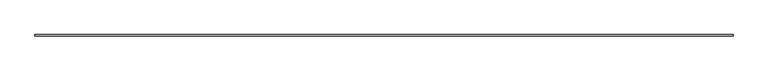
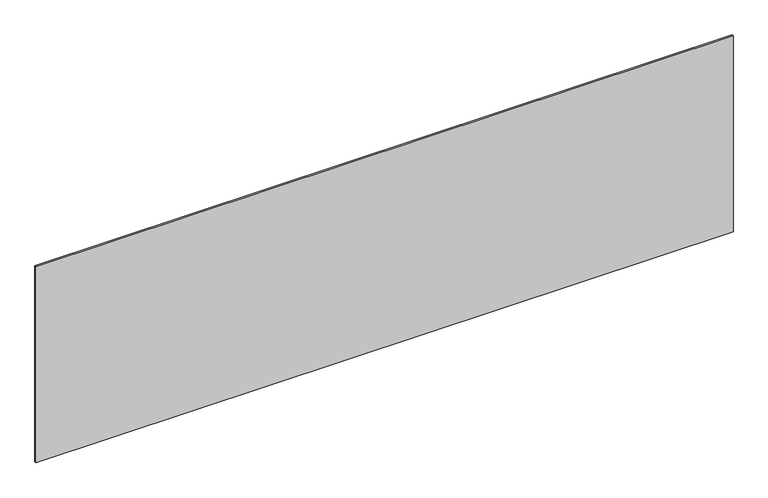
"""IFC4 building model written with IfcOpenShell, lengths in millimetres: plate geometry."""

from ifc_helpers import new_model, si_unit, origin, origin_with_axes, place, context, project, spatial, polyline, outline, extrude, source, transform, mapped, element, save


def plate_5af0ace7(model_context):
    return source(origin(), model_context, "Body", "SweptSolid", [
        extrude(outline(polyline([(2264.1666667, -5.0), (-2264.1666667, -5.0), (-2264.1666667, 5.0), (2264.1666667, 5.0), (2264.1666667, -5.0)])), origin_with_axes(), (0.0, 0.0, 1.0), 1345.016358),
    ])


if __name__ == "__main__":
    model = new_model("IFC4")
    model_context = context("Model", 3, world=origin())
    ifc_project = project(units=[si_unit("LENGTHUNIT", "METRE", prefix="MILLI")], contexts=[model_context])
    site = spatial("IfcSite", under=ifc_project)
    building = spatial("IfcBuilding", under=site)
    placement = place(None, origin())
    plate_shape = plate_5af0ace7(model_context)
    element("IfcPlate", 1, at=placement, inside=building, context=model_context, shape_type="MappedRepresentation", body=[
        mapped(plate_shape, transform((0.0, 0.0, 0.0), x_axis=(1.0, 0.0, 0.0), y_axis=(0.0, 1.0, 0.0), z_axis=(0.0, 0.0, 1.0))),
    ])
    save(model, "model.ifc")
